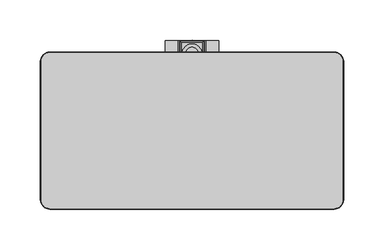
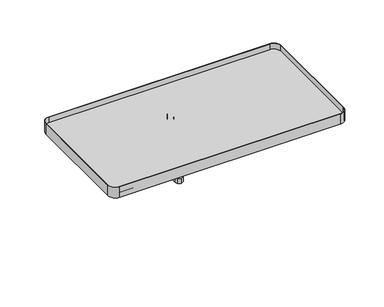
"""IFC4 building model written with IfcOpenShell, lengths in millimetres: furniture geometry."""

from ifc_helpers import new_model, si_unit, point, frame, frame_2d, origin, place, context, project, spatial, polyline, circle_curve, ellipse_curve, trimmed, segment, composite_curve, outline, extrude, source, transform, mapped, element, save
from ifc_brep_helpers import plane_surface, cylinder_surface, revolved_surface, advanced_brep


def furniture_6f47303e(model_context):
    return source(origin(), model_context, "Body", "SolidModel", [
        extrude(outline(polyline([(572.4526016, 876.8341572), (574.154079, 873.8871119), (574.154079, 870.4841572), (572.4526016, 867.5371119), (569.5055563, 865.8356345), (566.1026016, 865.8356345), (563.1555563, 867.5371119), (561.454079, 870.4841572), (561.454079, 873.8871119), (563.1555563, 876.8341572), (566.1026016, 878.5356345), (569.5055563, 878.5356345), (572.4526016, 876.8341572)])), frame((0.0, 0.0, 981.2878959), z_axis=(0.0, 0.0, 1.0), x_axis=(1.0, 0.0, 0.0)), (0.0, 0.0, 1.0), 21.0640086),
        extrude(outline(polyline([(561.454079, 814.4464769), (561.454079, 877.9468656), (562.9439994, 881.5438517), (567.804079, 883.5569625), (572.6641586, 881.5438517), (574.154079, 877.9468656), (574.154079, 814.4464769), (572.6641586, 810.8494909), (567.804079, 808.83638), (562.9439994, 810.8494909), (561.454079, 814.4464769)])), frame((0.0, 0.0, 972.9618797), z_axis=(0.0, 0.0, 1.0), x_axis=(1.0, 0.0, 0.0)), (0.0, 0.0, 1.0), 8.3260161),
        advanced_brep(
        [(565.3728649, 866.9451421, 1028.4561643), (570.2300001, 866.9451421, 1028.4561643), (570.2300001, 866.9451421, 1027.2658445), (565.3728649, 866.9451421, 1027.2658445), (556.9007133, 866.9451421, 1028.4561643), (578.7021517, 866.9451421, 1028.4561643), (555.6078513, 866.9451421, 1037.2747882), (579.9950137, 866.9451421, 1037.2747882), (579.9950137, 866.9451421, 1029.7490263), (555.6078513, 866.9451421, 1029.7490263), (567.8014325, 866.9451421, 1041.4655546), (575.8042473, 866.9451421, 1041.4655546), (559.7986177, 866.9451421, 1041.4655546), (567.8014325, 866.9451421, 1027.2658445)],
        [
            (0, 1, circle_curve(frame((567.8014325, 866.9451421, 1028.4561643), z_axis=(0.0, 0.0, -1.0), x_axis=(1.0000000000000016, 0.0, 0.0)), 2.4285676)),
            (1, 2),
            (2, 3, circle_curve(frame((567.8014325, 866.9451421, 1027.2658445), z_axis=(0.0, 0.0, 1.0), x_axis=(1.0000000000000016, 0.0, 0.0)), 2.4285676)),
            (3, 0),
            (1, 0, circle_curve(frame((567.8014325, 866.9451421, 1028.4561643), z_axis=(0.0, 0.0, -1.0), x_axis=(1.0000000000000016, 0.0, 0.0)), 2.4285676)),
            (3, 2, circle_curve(frame((567.8014325, 866.9451421, 1027.2658445), z_axis=(0.0, 0.0, 1.0), x_axis=(1.0000000000000016, 0.0, 0.0)), 2.4285676)),
            (4, 5, circle_curve(frame((567.8014325, 866.9451421, 1028.4561643), z_axis=(0.0, 0.0, -1.0), x_axis=(1.0000000000000016, 0.0, 0.0)), 10.9007192)),
            (5, 1),
            (0, 4),
            (5, 4, circle_curve(frame((567.8014325, 866.9451421, 1028.4561643), z_axis=(0.0, 0.0, -1.0), x_axis=(1.0000000000000016, 0.0, 0.0)), 10.9007192)),
            (6, 7, circle_curve(frame((567.8014325, 866.9451421, 1037.2747882), z_axis=(0.0, 0.0, -1.0), x_axis=(1.0000000000000016, 0.0, 0.0)), 12.1935812)),
            (7, 8),
            (8, 9, circle_curve(frame((567.8014325, 866.9451421, 1029.7490263), z_axis=(0.0, 0.0, 1.0), x_axis=(1.0000000000000016, 0.0, 0.0)), 12.1935812)),
            (9, 6),
            (7, 6, circle_curve(frame((567.8014325, 866.9451421, 1037.2747882), z_axis=(0.0, 0.0, -1.0), x_axis=(1.0000000000000016, 0.0, 0.0)), 12.1935812)),
            (9, 8, circle_curve(frame((567.8014325, 866.9451421, 1029.7490263), z_axis=(0.0, 0.0, 1.0), x_axis=(1.0000000000000016, 0.0, 0.0)), 12.1935812)),
            (10, 11),
            (11, 12, circle_curve(frame((567.8014325, 866.9451421, 1041.4655546), z_axis=(0.0, 0.0, 1.0), x_axis=(1.0000000000000016, 0.0, 0.0)), 8.0028148)),
            (12, 10),
            (12, 11, circle_curve(frame((567.8014325, 866.9451421, 1041.4655546), z_axis=(0.0, 0.0, 1.0), x_axis=(1.0000000000000016, 0.0, 0.0)), 8.0028148)),
            (2, 13),
            (13, 3),
            (8, 5, circle_curve(frame((578.7021517, 866.9451421, 1029.7490263), z_axis=(0.0, 1.0000000000000016, 0.0), x_axis=(1.0000000000000016, 0.0, 0.0)), 1.292862)),
            (4, 9, circle_curve(frame((556.9007133, 866.9451421, 1029.7490263), z_axis=(0.0, 1.0000000000000016, 0.0), x_axis=(-1.0000000000000016, 0.0, 0.0)), 1.292862)),
            (11, 7, circle_curve(frame((575.8042473, 866.9451421, 1037.2747882), z_axis=(0.0, 1.0000000000000016, 0.0), x_axis=(1.0000000000000016, 0.0, 0.0)), 4.1907665)),
            (6, 12, circle_curve(frame((559.7986177, 866.9451421, 1037.2747882), z_axis=(0.0, 1.0000000000000016, 0.0), x_axis=(-1.0000000000000016, 0.0, 0.0)), 4.1907665)),
        ],
        [
            cylinder_surface(frame((567.8014325, 866.9451421, 1061.5832348), z_axis=(0.0, 0.0, 1.0), x_axis=(1.0000000000000016, 0.0, 0.0)), 2.4285676),
            plane_surface(frame((567.8014325, 866.9451421, 1028.4561643), z_axis=(0.0, 0.0, -1.0), x_axis=(1.0, 0.0, 0.0))),
            cylinder_surface(frame((567.8014325, 866.9451421, 1061.5832348), z_axis=(0.0, 0.0, 1.0), x_axis=(1.0000000000000016, 0.0, 0.0)), 12.1935812),
            plane_surface(frame((567.8014325, 866.9451421, 1041.4655546), z_axis=(0.0, 0.0, 1.0), x_axis=(1.0, 0.0, 0.0))),
            plane_surface(frame((567.8014325, 866.9451421, 1027.2658445), z_axis=(0.0, 0.0, -1.0), x_axis=(1.0, 0.0, 0.0))),
            revolved_surface(trimmed(ellipse_curve(frame((578.7021517, 866.9451421, 1029.7490263), z_axis=(0.0, -1.0000000000000016, 0.0), x_axis=(1.0000000000000016, 0.0, 0.0)), 1.292862, 1.292862), [point((578.7021517, 866.9451421, 1028.4561643))], [point((579.9950137, 866.9451421, 1029.7490263))], True, "CARTESIAN"), (567.8014325, 866.9451421, 1061.5832348), (0.0, 0.0, 1.0)),
            revolved_surface(trimmed(ellipse_curve(frame((575.8042473, 866.9451421, 1037.2747882), z_axis=(0.0, -1.0000000000000016, 0.0), x_axis=(1.0000000000000016, 0.0, 0.0)), 4.1907665, 4.1907665), [point((579.9950137, 866.9451421, 1037.2747882))], [point((575.8042473, 866.9451421, 1041.4655546))], True, "CARTESIAN"), (567.8014325, 866.9451421, 1061.5832348), (0.0, 0.0, 1.0)),
        ],
        [
            (0, [[1, 2, 3, 4]]),
            (0, [[5, -4, 6, -2]]),
            (1, [[7, 8, -1, 9]]),
            (1, [[10, -9, -5, -8]]),
            (2, [[11, 12, 13, 14]]),
            (2, [[15, -14, 16, -12]]),
            (3, [[17, 18, 19]]),
            (3, [[-19, 20, -17]]),
            (4, [[-3, 21, 22]]),
            (4, [[-6, -22, -21]]),
            (5, [[-13, 23, -7, 24]]),
            (5, [[-16, -24, -10, -23]]),
            (6, [[-18, 25, -11, 26]]),
            (6, [[-20, -26, -15, -25]]),
        ],
    ),
        advanced_brep(
        [(523.703641, 844.5201081, 1098.32775), (523.703641, 844.1597528, 1098.32775), (526.2695816, 795.1986989, 1098.32775), (546.0458637, 810.4407767, 1098.32775), (546.9174555, 835.3997695, 1098.32775), (548.3470137, 838.6622239, 1098.32775), (552.8660164, 840.2698211, 1098.32775), (555.0151013, 839.5801768, 1098.32775), (555.0372011, 840.2130323, 1098.32775), (555.2490705, 840.2130323, 1098.32775), (555.2490705, 851.1575897, 1098.32775), (530.0283771, 851.1575897, 1098.32775), (525.4222692, 849.1786517, 1098.32775), (611.9045169, 844.1597533, 1098.32775), (611.9045169, 844.5201081, 1098.32775), (610.1858887, 849.1786517, 1098.32775), (605.5797808, 851.1575897, 1098.32775), (580.365389, 851.1575897, 1098.32775), (580.365389, 840.2130323, 1098.32775), (580.5709568, 840.2130323, 1098.32775), (580.5930566, 839.5801768, 1098.32775), (582.7421405, 840.2698215, 1098.32775), (587.2611443, 838.6622239, 1098.32775), (588.6907025, 835.3997695, 1098.32775), (589.5622943, 810.4407767, 1098.32775), (609.3385764, 795.1986989, 1098.32775), (611.9045169, 844.1597533, 1086.9393735), (611.9045169, 844.5201081, 1086.9393735), (550.0635891, 883.1448413, 1004.560055), (552.7029708, 883.1448413, 1007.1994367), (552.7029708, 883.1448413, 1025.1207529), (582.9051871, 883.1448413, 1025.1207529), (582.9051871, 883.1448413, 1007.1994367), (585.5445689, 883.1448413, 1004.560055), (600.9804089, 883.1448413, 1004.560055), (600.9804089, 883.1448413, 983.3691126), (534.627749, 883.1448413, 983.3691126), (534.627749, 883.1448413, 1004.560055), (523.703641, 844.5201081, 1086.9393735), (523.703641, 844.1597528, 1086.9393735), (607.4544231, 787.5374049, 1088.7868386), (609.010493, 788.9384966, 1088.7379115), (609.010493, 788.9384966, 1094.9478319), (607.4544231, 787.5374049, 1094.9478319), (602.7025334, 787.7799742, 1088.7783679), (602.7025334, 787.7799742, 1094.9478319), (581.6144003, 810.3327891, 1087.9908081), (601.5600751, 787.9252907, 1094.9478319), (601.5600751, 787.9252907, 1092.7397656), (585.0859192, 798.838226, 1092.7397656), (585.0859192, 798.838226, 1094.9478319), (581.8515291, 807.7246389, 1094.9478319), (581.8515291, 807.7246389, 1092.7397656), (581.6144003, 810.3327891, 1092.7397656), (580.5709568, 840.2130323, 1086.9473693), (580.5930566, 839.5801768, 1092.7397656), (580.365389, 840.2130323, 1086.9473693), (555.0372011, 840.2130323, 1086.9473693), (555.2490705, 840.2130323, 1086.9473693), (555.0151013, 839.5801768, 1092.7397656), (553.9937576, 810.3327891, 1092.7397656), (553.9937576, 810.3327891, 1087.9908081), (532.9056245, 787.7799742, 1088.7783679), (553.7566288, 807.7246389, 1092.7397656), (553.7566288, 807.7246389, 1094.9478319), (550.5222388, 798.838226, 1094.9478319), (550.5222388, 798.838226, 1092.7397656), (534.0480829, 787.9252907, 1092.7397656), (534.0480829, 787.9252907, 1094.9478319), (532.9056245, 787.7799742, 1094.9478319), (528.1537349, 787.5374049, 1088.7868386), (528.1537349, 787.5374049, 1094.9478319), (526.5976649, 788.9384966, 1088.7379115), (526.5976649, 788.9384966, 1094.9478319), (523.8984801, 840.4420028, 1086.9393735), (526.4584524, 791.5948303, 1094.9478319), (526.4584524, 791.5948303, 1092.7397656), (526.2695816, 795.1986989, 1092.7397656), (611.7096779, 840.4420028, 1086.9393735), (609.3385764, 795.1986989, 1092.7397656), (609.1497056, 791.5948303, 1092.7397656), (609.1497056, 791.5948303, 1094.9478319), (554.8480625, 851.1575897, 1027.2658445), (568.6847576, 851.1575897, 1027.2658445), (580.7600954, 851.1575897, 1027.2658445), (580.7600954, 880.9997496, 1027.2658445), (554.8480625, 880.9997496, 1027.2658445), (610.1858887, 849.1786517, 1086.9393735), (607.3304089, 850.4054613, 1086.9393735), (605.5797808, 851.1575897, 1086.6932904), (525.4222692, 849.1786517, 1086.9393735), (530.0283771, 851.1575897, 1086.6932904), (528.277749, 850.4054613, 1086.9393735), (555.2490705, 851.1575897, 1074.9361696), (556.9644199, 851.1575897, 1070.8086459), (561.4400554, 851.1575897, 1068.9633263), (568.6847576, 851.1575897, 1068.9633263), (553.3312536, 851.1575897, 1026.6375617), (552.7029708, 851.1575897, 1025.1207529), (552.7029708, 851.1575897, 1007.1994367), (550.0635891, 851.1575897, 1004.560055), (536.4083774, 851.1575897, 1004.560055), (536.4083774, 851.1575897, 1080.3851486), (534.627749, 851.1575897, 1080.3851486), (534.627749, 851.1575897, 1080.5893735), (600.9804089, 851.1575897, 1080.5893735), (600.9804089, 851.1575897, 1080.3851486), (599.1997805, 851.1575897, 1080.3851486), (599.1997805, 851.1575897, 1004.560055), (585.5445689, 851.1575897, 1004.560055), (582.9051871, 851.1575897, 1007.1994367), (582.9051871, 851.1575897, 1025.1207529), (582.2769043, 851.1575897, 1026.6375617), (574.2028154, 851.1575897, 1068.9633263), (578.7032828, 851.1575897, 1070.8334808), (580.365389, 851.1575897, 1074.8643334), (555.2490705, 840.4420028, 1074.9361696), (555.2490705, 840.4420028, 1086.9393735), (528.277749, 840.4420028, 1086.9393735), (534.627749, 840.4420028, 1080.5893735), (534.627749, 840.4420028, 1080.3851486), (536.4083774, 840.4420028, 1080.3851486), (536.4083774, 840.4420028, 996.9512561), (599.1997805, 840.4420028, 996.9512561), (599.1997805, 840.4420028, 1080.3851486), (600.9804089, 840.4420028, 1080.3851486), (600.9804089, 840.4420028, 1080.5893735), (607.3304089, 840.4420028, 1086.9393735), (580.365389, 840.4420028, 1086.9393735), (580.365389, 840.4420028, 1074.8643334), (578.7032828, 840.4420028, 1070.8334808), (574.2028154, 840.4420028, 1068.9633263), (561.4400554, 840.4420028, 1068.9633263), (556.9644199, 840.4420028, 1070.8086459), (588.6907025, 835.3997695, 1092.7397656), (587.2611443, 838.6622239, 1092.7397656), (582.7421405, 840.2698215, 1092.7397656), (584.7323904, 807.9737129, 1092.7397656), (586.1309368, 806.3697717, 1092.7397656), (587.493243, 802.6268698, 1092.7397656), (587.4528846, 800.4992061, 1092.7397656), (600.5649726, 788.8757666, 1092.7397656), (601.1178496, 790.930817, 1092.7397656), (603.1034339, 791.6964952, 1092.7397656), (605.0949892, 791.5948303, 1092.7397656), (589.5622943, 810.4407767, 1092.7397656), (584.7323904, 807.9737129, 1094.9478319), (586.1309368, 806.3697717, 1094.9478319), (587.493243, 802.6268698, 1094.9478319), (587.4528846, 800.4992061, 1094.9478319), (600.5649726, 788.8757666, 1094.9478319), (601.1178496, 790.930817, 1094.9478319), (603.1034339, 791.6964952, 1094.9478319), (605.0949892, 791.5948303, 1094.9478319), (550.8757676, 807.9737129, 1094.9478319), (549.4772212, 806.3697717, 1094.9478319), (548.1149149, 802.6268698, 1094.9478319), (548.1552733, 800.4992061, 1094.9478319), (535.0431854, 788.8757666, 1094.9478319), (534.4903083, 790.930817, 1094.9478319), (532.504724, 791.6964952, 1094.9478319), (530.5131687, 791.5948303, 1094.9478319), (546.9174555, 835.3997695, 1092.7397656), (546.0458637, 810.4407767, 1092.7397656), (530.5131687, 791.5948303, 1092.7397656), (532.504724, 791.6964952, 1092.7397656), (534.4903083, 790.930817, 1092.7397656), (535.0431854, 788.8757666, 1092.7397656), (548.1552733, 800.4992061, 1092.7397656), (548.1149149, 802.6268698, 1092.7397656), (549.4772212, 806.3697717, 1092.7397656), (550.8757676, 807.9737129, 1092.7397656), (552.8660164, 840.2698211, 1092.7397656), (548.3470137, 838.6622239, 1092.7397656), (534.627749, 849.3769613, 1004.560055), (535.149283, 850.6360557, 1004.560055), (534.627749, 849.3769613, 1080.3851486), (534.627749, 873.1549726, 983.3691126), (534.627749, 870.978774, 985.5453112), (534.627749, 870.978774, 996.9512561), (534.627749, 842.2226312, 996.9512561), (534.627749, 842.2226312, 1080.3851486), (600.9804089, 842.2226312, 1080.3851486), (600.9804089, 842.2226312, 996.9512561), (600.9804089, 870.978774, 996.9512561), (600.9804089, 870.978774, 985.5453112), (600.9804089, 873.1549726, 983.3691126), (600.9804089, 849.3769613, 1004.560055), (600.9804089, 849.3769613, 1080.3851486), (537.3322662, 870.978774, 985.5453112), (537.3322662, 870.978774, 996.9512561), (598.2758917, 870.978774, 996.9512561), (598.2758917, 870.978774, 985.5453112), (557.7355392, 870.978774, 985.5453112), (557.7355392, 870.978774, 996.9512561), (554.1077561, 870.978774, 996.9512561), (554.1077561, 870.978774, 985.5453112), (577.1828719, 870.978774, 996.9512561), (577.1828719, 870.978774, 985.5453112), (581.5004019, 870.978774, 985.5453112), (581.5004019, 870.978774, 996.9512561), (577.1828719, 862.4035457, 996.9512561), (581.5004019, 862.4035457, 996.9512561), (598.2758917, 862.4035457, 996.9512561), (600.4588749, 840.9635368, 996.9512561), (535.149283, 840.9635368, 996.9512561), (537.3322662, 862.4035457, 996.9512561), (554.1077561, 862.4035457, 996.9512561), (557.7355392, 862.4035457, 996.9512561), (598.2758917, 873.1549726, 983.3691126), (598.2758917, 880.2208989, 983.3691126), (581.5004019, 880.2208989, 983.3691126), (581.5004019, 873.1549726, 983.3691126), (577.1828719, 873.1549726, 983.3691126), (577.1828719, 880.2208989, 983.3691126), (557.7355392, 880.2208989, 983.3691126), (557.7355392, 873.1549726, 983.3691126), (554.1077561, 873.1549726, 983.3691126), (554.1077561, 880.2208989, 983.3691126), (537.3322662, 880.2208989, 983.3691126), (537.3322662, 873.1549726, 983.3691126), (577.1828719, 862.4035457, 1002.3519045), (577.1828719, 880.2208989, 1002.3519045), (557.7355392, 880.2208989, 1002.3519045), (557.7355392, 862.4035457, 1002.3519045), (554.1077561, 862.4035457, 1002.3519045), (554.1077561, 880.2208989, 1002.3519045), (537.3322662, 880.2208989, 1002.3519045), (537.3322662, 862.4035457, 1002.3519045), (581.5004019, 880.2208989, 1002.3519045), (581.5004019, 862.4035457, 1002.3519045), (598.2758917, 862.4035457, 1002.3519045), (598.2758917, 880.2208989, 1002.3519045), (535.149283, 840.9635368, 1080.3851486), (535.149283, 850.6360557, 1080.3851486), (600.4588749, 850.6360557, 1004.560055), (600.4588749, 840.9635368, 1080.3851486), (600.4588749, 850.6360557, 1080.3851486), (582.2769043, 882.5165585, 1026.6375617), (553.3312536, 882.5165585, 1026.6375617)],
        [
            (0, 1),
            (1, 2),
            (2, 3, circle_curve(frame((526.4805469, 815.3756741, 1098.32775), z_axis=(0.0, 0.0, 1.0), x_axis=(-1.3720009129422355e-11, -1.0000000000000016, 0.0)), 20.178078)),
            (3, 4),
            (4, 5),
            (5, 6),
            (6, 7, circle_curve(frame((553.4858911, 838.5081532, 1098.32775), z_axis=(0.0, 0.0, -1.0), x_axis=(-1.3720009129422355e-11, -1.0000000000000016, 0.0)), 1.8675434)),
            (7, 8),
            (8, 9),
            (9, 10),
            (10, 11),
            (11, 12),
            (12, 0),
            (13, 14),
            (14, 15),
            (15, 16),
            (16, 17),
            (17, 18),
            (18, 19),
            (19, 20),
            (20, 21, circle_curve(frame((582.1222669, 838.5081532, 1098.32775), z_axis=(0.0, 0.0, -1.0), x_axis=(0.0, -1.0000000000000016, 0.0)), 1.8675434)),
            (21, 22),
            (22, 23),
            (23, 24),
            (24, 25, circle_curve(frame((609.127611, 815.3756741, 1098.32775), z_axis=(0.0, 0.0, 1.0), x_axis=(0.0, -1.0000000000000016, 0.0)), 20.178078)),
            (25, 13),
            (13, 26),
            (26, 27),
            (27, 14),
            (28, 29, circle_curve(frame((550.0635891, 883.1448413, 1007.1994367), z_axis=(-6.865064072769654e-12, -1.0, 0.0), x_axis=(1.0000000000000016, -6.865064072769664e-12, 0.0)), 2.6393817)),
            (29, 30),
            (30, 31),
            (31, 32),
            (32, 33, circle_curve(frame((585.5445689, 883.1448413, 1007.1994367), z_axis=(-6.865064072769654e-12, -1.0, 0.0), x_axis=(-1.0000000000000016, 6.865064072769664e-12, 0.0)), 2.6393817)),
            (33, 34),
            (34, 35),
            (35, 36),
            (36, 37),
            (37, 28),
            (0, 38),
            (38, 39),
            (39, 1),
            (40, 41, ellipse_curve(frame((607.4544231, 789.1020461, 1088.7322003), z_axis=(0.0, 0.03489941917567232, 0.9993908297263893), x_axis=(7.1374193433167536e-12, 0.9993908297263894, -0.03489941917567166)), 1.5655949, 1.5646412)),
            (41, 42),
            (42, 43, circle_curve(frame((607.4544231, 789.1020461, 1094.9478319), z_axis=(0.0, 0.0, -1.0), x_axis=(0.0, -1.0000000000000016, 0.0)), 1.5646412)),
            (43, 40),
            (44, 40),
            (43, 45),
            (45, 44),
            (46, 44, ellipse_curve(frame((605.0949932, 811.1527514, 1087.9621744), z_axis=(0.0, 0.03489941917567232, 0.9993908297263893), x_axis=(7.1374193433167536e-12, 0.9993908297263894, -0.03489941917567166)), 23.5092265, 23.4949054)),
            (45, 47, circle_curve(frame((605.0949932, 811.1527514, 1094.9478319), z_axis=(0.0, 0.0, -1.0), x_axis=(0.0, -1.0000000000000016, 0.0)), 23.4949054)),
            (47, 48),
            (48, 49, circle_curve(frame((605.0949932, 811.1527514, 1092.7397656), z_axis=(0.0, 0.0, -1.0), x_axis=(0.0, -1.0000000000000016, 0.0)), 23.4949054)),
            (49, 50),
            (50, 51, circle_curve(frame((605.0949932, 811.1527514, 1094.9478319), z_axis=(0.0, 0.0, -1.0), x_axis=(0.0, -1.0000000000000016, 0.0)), 23.4949054)),
            (51, 52),
            (52, 53, circle_curve(frame((605.0949932, 811.1527514, 1092.7397656), z_axis=(0.0, 0.0, -1.0), x_axis=(0.0, -1.0000000000000016, 0.0)), 23.4949054)),
            (53, 46),
            (19, 54),
            (54, 46),
            (53, 55),
            (55, 20),
            (18, 56),
            (56, 54),
            (8, 57),
            (57, 58),
            (58, 9),
            (7, 59),
            (59, 60),
            (60, 61),
            (61, 57),
            (62, 61, ellipse_curve(frame((530.5131647, 811.1527514, 1087.9621744), z_axis=(0.0, 0.03489941917567232, 0.9993908297263893), x_axis=(7.1374193433167536e-12, 0.9993908297263894, -0.03489941917567166)), 23.5092265, 23.4949054)),
            (60, 63, circle_curve(frame((530.5131647, 811.1527514, 1092.7397656), z_axis=(0.0, 0.0, -1.0), x_axis=(0.0, -1.0000000000000016, 0.0)), 23.4949054)),
            (63, 64),
            (64, 65, circle_curve(frame((530.5131647, 811.1527514, 1094.9478319), z_axis=(0.0, 0.0, -1.0), x_axis=(0.0, -1.0000000000000016, 0.0)), 23.4949054)),
            (65, 66),
            (66, 67, circle_curve(frame((530.5131647, 811.1527514, 1092.7397656), z_axis=(0.0, 0.0, -1.0), x_axis=(0.0, -1.0000000000000016, 0.0)), 23.4949054)),
            (67, 68),
            (68, 69, circle_curve(frame((530.5131647, 811.1527514, 1094.9478319), z_axis=(0.0, 0.0, -1.0), x_axis=(0.0, -1.0000000000000016, 0.0)), 23.4949054)),
            (69, 62),
            (70, 62),
            (69, 71),
            (71, 70),
            (72, 70, ellipse_curve(frame((528.1537349, 789.1020461, 1088.7322003), z_axis=(0.0, 0.03489941917567232, 0.9993908297263893), x_axis=(7.1374193433167536e-12, 0.9993908297263894, -0.03489941917567166)), 1.5655949, 1.5646412)),
            (71, 73, circle_curve(frame((528.1537349, 789.1020461, 1094.9478319), z_axis=(0.0, 0.0, -1.0), x_axis=(0.0, -1.0000000000000016, 0.0)), 1.5646412)),
            (73, 72),
            (74, 72),
            (73, 75),
            (75, 76),
            (76, 77),
            (77, 2),
            (39, 74),
            (41, 78),
            (78, 26),
            (25, 79),
            (79, 80),
            (80, 81),
            (81, 42),
            (82, 83),
            (83, 84),
            (84, 85),
            (85, 86),
            (86, 82),
            (15, 87),
            (87, 88),
            (88, 89, ellipse_curve(frame((607.3304089, 850.4054613, 1080.5893735), z_axis=(-0.39474350435296546, -0.9187913613934017, 0.0), x_axis=(0.9187913613934018, -0.3947435043529651, 0.0)), 6.9112535, 6.35)),
            (89, 16),
            (27, 87),
            (12, 90),
            (90, 38),
            (11, 91),
            (91, 92, ellipse_curve(frame((528.277749, 850.4054613, 1080.5893735), z_axis=(0.3947435043403511, -0.9187913613988212, 0.0), x_axis=(-0.9187913613988213, -0.3947435043403508, 0.0)), 6.9112535, 6.35)),
            (92, 90),
            (10, 93),
            (93, 94),
            (94, 95),
            (95, 96),
            (96, 83),
            (82, 97),
            (97, 98),
            (98, 99),
            (99, 100, circle_curve(frame((550.0635891, 851.1575897, 1007.1994367), z_axis=(6.865064072769654e-12, 1.0, 0.0), x_axis=(1.0000000000000016, -6.865064072769664e-12, 0.0)), 2.6393817)),
            (100, 101),
            (101, 102),
            (102, 103),
            (103, 104),
            (104, 91, circle_curve(frame((528.277749, 851.1575897, 1080.5893735), z_axis=(-6.865064072769654e-12, -1.0, 0.0), x_axis=(1.0000000000000016, -6.865064072769664e-12, 0.0)), 6.35)),
            (89, 105, circle_curve(frame((607.3304089, 851.1575897, 1080.5893735), z_axis=(-6.865064072769654e-12, -1.0, 0.0), x_axis=(-1.0000000000000016, 6.865064072769664e-12, 0.0)), 6.35)),
            (105, 106),
            (106, 107),
            (107, 108),
            (108, 109),
            (109, 110, circle_curve(frame((585.5445689, 851.1575897, 1007.1994367), z_axis=(6.865064072769654e-12, 1.0, 0.0), x_axis=(-1.0000000000000016, 6.865064072769664e-12, 0.0)), 2.6393817)),
            (110, 111),
            (111, 112),
            (112, 84),
            (96, 113),
            (113, 114),
            (114, 115),
            (115, 17),
            (116, 117),
            (117, 118),
            (118, 119, circle_curve(frame((528.277749, 840.4420028, 1080.5893735), z_axis=(6.865064072769654e-12, 1.0, 0.0), x_axis=(1.0000000000000016, -6.865064072769664e-12, 0.0)), 6.35)),
            (119, 120),
            (120, 121),
            (121, 122),
            (122, 123),
            (123, 124),
            (124, 125),
            (125, 126),
            (126, 127, circle_curve(frame((607.3304089, 840.4420028, 1080.5893735), z_axis=(6.865064072769654e-12, 1.0, 0.0), x_axis=(-1.0000000000000016, 6.865064072769664e-12, 0.0)), 6.35)),
            (127, 128),
            (128, 129),
            (129, 130),
            (130, 131),
            (131, 132),
            (132, 133),
            (133, 116),
            (56, 128),
            (127, 78),
            (74, 118),
            (117, 58),
            (116, 93),
            (115, 129),
            (133, 94),
            (132, 95),
            (131, 113),
            (130, 114),
            (134, 135),
            (135, 136),
            (136, 55, circle_curve(frame((582.1222669, 838.5081532, 1092.7397656), z_axis=(0.0, 0.0, 1.0), x_axis=(0.0, -1.0000000000000016, 0.0)), 1.8675434)),
            (52, 137),
            (137, 138),
            (138, 139),
            (139, 140),
            (140, 49),
            (48, 141),
            (141, 142),
            (142, 143),
            (143, 144),
            (144, 80),
            (79, 145, circle_curve(frame((609.127611, 815.3756741, 1092.7397656), z_axis=(0.0, 0.0, -1.0), x_axis=(0.0, -1.0000000000000016, 0.0)), 20.178078)),
            (145, 134),
            (134, 23),
            (22, 135),
            (21, 136),
            (51, 146),
            (146, 137),
            (146, 147),
            (147, 138),
            (147, 148),
            (148, 139),
            (148, 149),
            (149, 140),
            (149, 50),
            (47, 150),
            (150, 141),
            (150, 151),
            (151, 142),
            (151, 152),
            (152, 143),
            (152, 153),
            (153, 144),
            (153, 81),
            (64, 154),
            (154, 155),
            (155, 156),
            (156, 157),
            (157, 65),
            (68, 158),
            (158, 159),
            (159, 160),
            (160, 161),
            (161, 75),
            (24, 145),
            (162, 163),
            (163, 77, circle_curve(frame((526.4805469, 815.3756741, 1092.7397656), z_axis=(0.0, 0.0, -1.0), x_axis=(-1.3720009129422355e-11, -1.0000000000000016, 0.0)), 20.178078)),
            (76, 164),
            (164, 165),
            (165, 166),
            (166, 167),
            (167, 67),
            (66, 168),
            (168, 169),
            (169, 170),
            (170, 171),
            (171, 63),
            (59, 172, circle_curve(frame((553.4858911, 838.5081532, 1092.7397656), z_axis=(0.0, 0.0, 1.0), x_axis=(-1.3720009129422355e-11, -1.0000000000000016, 0.0)), 1.8675434)),
            (172, 173),
            (173, 162),
            (173, 5),
            (4, 162),
            (172, 6),
            (171, 154),
            (170, 155),
            (169, 156),
            (168, 157),
            (167, 158),
            (166, 159),
            (165, 160),
            (164, 161),
            (163, 3),
            (29, 99),
            (98, 30),
            (100, 28),
            (37, 174),
            (174, 175),
            (175, 101),
            (119, 104),
            (103, 176),
            (176, 174),
            (36, 177),
            (177, 178, circle_curve(frame((534.627749, 873.1549726, 985.5453112), z_axis=(-1.0, 6.865064072769654e-12, 0.0), x_axis=(0.0, 0.0, 1.0)), 2.1761986)),
            (178, 179),
            (179, 180),
            (180, 181),
            (181, 120),
            (118, 92),
            (105, 126),
            (125, 182),
            (182, 183),
            (183, 184),
            (184, 185),
            (185, 186, circle_curve(frame((600.9804089, 873.1549726, 985.5453112), z_axis=(1.0, -6.865064072769654e-12, 0.0), x_axis=(0.0, 0.0, 1.0)), 2.1761986)),
            (186, 35),
            (34, 187),
            (187, 188),
            (188, 106),
            (88, 127),
            (178, 189),
            (189, 190),
            (190, 179),
            (184, 191),
            (191, 192),
            (192, 185),
            (193, 194),
            (194, 195),
            (195, 196),
            (196, 193),
            (197, 198),
            (198, 199),
            (199, 200),
            (200, 197),
            (201, 197),
            (200, 202),
            (202, 203),
            (203, 191),
            (183, 204),
            (204, 123),
            (122, 205),
            (205, 180),
            (190, 206),
            (206, 207),
            (207, 195),
            (194, 208),
            (208, 201),
            (186, 209),
            (209, 210),
            (210, 211),
            (211, 212),
            (212, 213),
            (213, 214),
            (214, 215),
            (215, 216),
            (216, 217),
            (217, 218),
            (218, 219),
            (219, 220),
            (220, 177),
            (220, 189, circle_curve(frame((537.3322662, 873.1549726, 985.5453112), z_axis=(-1.0, 6.865064072769654e-12, 0.0), x_axis=(0.0, 0.0, 1.0)), 2.1761986)),
            (192, 209, circle_curve(frame((598.2758917, 873.1549726, 985.5453112), z_axis=(1.0, -6.865064072769654e-12, 0.0), x_axis=(0.0, 0.0, 1.0)), 2.1761986)),
            (216, 193, circle_curve(frame((557.7355392, 873.1549726, 985.5453112), z_axis=(-1.0, 6.865064072769654e-12, 0.0), x_axis=(0.0, 0.0, 1.0)), 2.1761986)),
            (196, 217, circle_curve(frame((554.1077561, 873.1549726, 985.5453112), z_axis=(1.0, -6.865064072769654e-12, 0.0), x_axis=(0.0, 0.0, 1.0)), 2.1761986)),
            (198, 213, circle_curve(frame((577.1828719, 873.1549726, 985.5453112), z_axis=(1.0, -6.865064072769654e-12, 0.0), x_axis=(0.0, 0.0, 1.0)), 2.1761986)),
            (212, 199, circle_curve(frame((581.5004019, 873.1549726, 985.5453112), z_axis=(-1.0, 6.865064072769654e-12, 0.0), x_axis=(0.0, 0.0, 1.0)), 2.1761986)),
            (221, 222),
            (222, 214),
            (201, 221),
            (223, 224),
            (224, 208),
            (215, 223),
            (224, 221),
            (222, 223),
            (225, 226),
            (226, 218),
            (207, 225),
            (227, 228),
            (228, 206),
            (219, 227),
            (228, 225),
            (226, 227),
            (229, 230),
            (230, 202),
            (211, 229),
            (231, 232),
            (232, 210),
            (203, 231),
            (230, 231),
            (232, 229),
            (233, 121),
            (181, 233),
            (205, 233),
            (234, 176),
            (102, 234),
            (234, 175),
            (110, 32),
            (31, 111),
            (33, 109),
            (108, 235),
            (235, 187),
            (236, 182),
            (124, 236),
            (236, 204),
            (237, 107),
            (188, 237),
            (235, 237),
            (112, 238),
            (238, 85),
            (31, 238),
            (238, 239),
            (239, 86),
            (30, 239),
            (239, 97),
        ],
        [
            plane_surface(frame((611.9045169, 883.1448413, 1098.32775), z_axis=(0.0, 0.0, 1.0), x_axis=(0.0, 1.0, 0.0))),
            plane_surface(frame((611.9045169, 781.5448413, 1098.32775), z_axis=(1.0, 0.0, 0.0), x_axis=(0.0, 0.0, -1.0))),
            plane_surface(frame((611.9045169, 883.1448413, 1098.32775), z_axis=(0.0, 1.0, 0.0), x_axis=(0.0, 0.0, -1.0))),
            plane_surface(frame((523.703641, 883.1448413, 1098.32775), z_axis=(-1.0, 0.0, 0.0), x_axis=(0.0, 0.0, -1.0))),
            cylinder_surface(frame((607.4544231, 789.1020461, 972.9618797), z_axis=(0.0, 0.0, -1.0), x_axis=(0.0, -1.0000000000000016, 0.0)), 1.5646412),
            plane_surface(frame((607.4544231, 787.5374049, 1098.32775), z_axis=(-0.0509805293978869, -0.998699647352652, 0.0), x_axis=(0.0, 0.0, -1.0))),
            cylinder_surface(frame((605.0949932, 811.1527514, 972.9618797), z_axis=(0.0, 0.0, -1.0), x_axis=(0.0, -1.0000000000000016, 0.0)), 23.4949054),
            plane_surface(frame((581.6144003, 810.3327891, 1098.32775), z_axis=(-0.999390824138735, -0.03489957918514207, 0.0), x_axis=(0.0, 0.0, -1.0))),
            plane_surface(frame((580.5709568, 840.2130323, 1098.32775), z_axis=(0.0, -1.0, 0.0), x_axis=(0.0, 0.0, -1.0))),
            plane_surface(frame((555.0372011, 840.2130323, 1098.32775), z_axis=(0.999390824138256, -0.03489957919886253, 0.0), x_axis=(0.0, 0.0, -1.0))),
            cylinder_surface(frame((530.5131647, 811.1527514, 972.9618797), z_axis=(0.0, 0.0, -1.0), x_axis=(0.0, -1.0000000000000016, 0.0)), 23.4949054),
            plane_surface(frame((532.9056245, 787.7799742, 1098.32775), z_axis=(0.05098052938417265, -0.998699647353352, 0.0), x_axis=(0.0, 0.0, -1.0))),
            cylinder_surface(frame((528.1537349, 789.1020461, 972.9618797), z_axis=(0.0, 0.0, -1.0), x_axis=(0.0, -1.0000000000000016, 0.0)), 1.5646412),
            plane_surface(frame((526.5976649, 788.9384966, 1098.32775), z_axis=(-0.9986295342547428, -0.052335965780289394, 0.0), x_axis=(0.0, 0.0, -1.0))),
            plane_surface(frame((611.9045169, 844.1597528, 1098.32775), z_axis=(0.9986295342844813, -0.052335965212844185, 0.0), x_axis=(0.0, 0.0, -1.0))),
            plane_surface(frame((605.5797808, 851.1575897, 1027.2658445), z_axis=(0.0, 0.0, 1.0), x_axis=(-0.9187913613934017, 0.39474350435296546, 0.0))),
            plane_surface(frame((605.5797808, 851.1575897, 1098.32775), z_axis=(0.39474350435296546, 0.9187913613934017, 0.0), x_axis=(0.0, 0.0, -1.0))),
            plane_surface(frame((610.1858887, 849.1786517, 1098.32775), z_axis=(0.9381912867911624, 0.3461171902537395, 0.0), x_axis=(0.0, 0.0, -1.0))),
            plane_surface(frame((523.703641, 844.5201081, 1098.32775), z_axis=(-0.9381912867864022, 0.3461171902666424, 0.0), x_axis=(0.0, 0.0, -1.0))),
            plane_surface(frame((525.4222692, 849.1786517, 1098.32775), z_axis=(-0.3947435043403511, 0.9187913613988212, 0.0), x_axis=(0.0, 0.0, -1.0))),
            plane_surface(frame((530.0283771, 851.1575897, 1098.32775), z_axis=(1.3719935075037032e-11, 1.0, 0.0), x_axis=(0.0, 0.0, -1.0))),
            plane_surface(frame((568.6847576, 851.1575897, 1098.32775), z_axis=(0.0, 1.0, 0.0), x_axis=(0.0, 0.0, -1.0))),
            plane_surface(frame((644.8280886, 840.4420028, 972.9618797), z_axis=(-6.865068220637533e-12, -1.0, 0.0), x_axis=(-1.0, 6.865068220637533e-12, 0.0))),
            plane_surface(frame((644.8280886, 840.4420028, 1086.9393735), z_axis=(0.0, -0.03489941917567232, -0.9993908297263893), x_axis=(-1.0, 6.86506822063753e-12, 0.0))),
            plane_surface(frame((555.2490705, 781.5448413, 1098.32775), z_axis=(1.0, -6.8645644724085725e-12, 0.0), x_axis=(6.8645644724085725e-12, 1.0, 0.0))),
            plane_surface(frame((580.365389, 781.5448413, 1074.8643334), z_axis=(-1.0, 6.864564472408571e-12, 0.0), x_axis=(6.864564472408571e-12, 1.0, 0.0))),
            plane_surface(frame((555.2490705, 781.5448413, 1074.9361696), z_axis=(0.9234301605570053, -6.357863222038614e-12, 0.3837665157014919), x_axis=(6.8645644724085725e-12, 1.0, 0.0))),
            plane_surface(frame((556.9644199, 781.5448413, 1070.8086459), z_axis=(0.3811755770865515, -2.662176668305705e-12, 0.9245026659954716), x_axis=(6.8645644724085725e-12, 1.0, 0.0))),
            plane_surface(frame((561.4400554, 781.5448413, 1068.9633263), z_axis=(0.0, 0.0, 1.0), x_axis=(6.8645644724085725e-12, 1.0, 0.0))),
            plane_surface(frame((574.2028154, 781.5448413, 1068.9633263), z_axis=(-0.38373400588138523, 2.5886466815574973e-12, 0.9234436705778134), x_axis=(6.864564472408571e-12, 1.0, 0.0))),
            plane_surface(frame((578.7032827, 781.5448413, 1070.8334808), z_axis=(-0.9244887542707884, 6.327421362892097e-12, 0.3812093168153764), x_axis=(6.864564472408571e-12, 1.0, 0.0))),
            plane_surface(frame((587.2611443, 838.6622239, 1092.7397656), z_axis=(0.0, 0.0, 1.0000000000000002), x_axis=(0.4013452917654016, -0.9159268293798063, 0.0))),
            plane_surface(frame((588.6907025, 835.3997695, 1098.32775), z_axis=(-0.9159268293798063, -0.4013452917654016, 0.0), x_axis=(0.0, 0.0, -1.0))),
            plane_surface(frame((587.2611443, 838.6622239, 1098.32775), z_axis=(-0.3351652768736788, -0.9421593480819423, 0.0), x_axis=(0.0, 0.0, -1.0))),
            plane_surface(frame((581.5080786, 807.6949448, 1098.32775), z_axis=(-0.08613684967553284, 0.9962833146891373, 0.0), x_axis=(0.0, 0.0, -1.0))),
            plane_surface(frame((584.7323904, 807.9737129, 1098.32775), z_axis=(0.7537171756299597, 0.6571989190194978, 0.0), x_axis=(0.0, 0.0, -1.0))),
            plane_surface(frame((586.1309368, 806.3697717, 1098.32775), z_axis=(0.9396925078215239, 0.34202045369260503, 0.0), x_axis=(0.0, 0.0, -1.0))),
            plane_surface(frame((587.493243, 802.6268698, 1098.32775), z_axis=(0.9998201481779339, -0.018965001910214288, 0.0), x_axis=(0.0, 0.0, -1.0))),
            plane_surface(frame((587.4528846, 800.4992061, 1098.32775), z_axis=(0.5744145435260927, -0.8185645559060755, 0.0), x_axis=(0.0, 0.0, -1.0))),
            plane_surface(frame((601.5600751, 787.9252907, 1098.32775), z_axis=(-0.6907058687708142, -0.7231358121719286, 0.0), x_axis=(0.0, 0.0, -1.0))),
            plane_surface(frame((600.5649726, 788.8757666, 1098.32775), z_axis=(-0.9656636033624647, 0.25979569885011655, 0.0), x_axis=(0.0, 0.0, -1.0))),
            plane_surface(frame((601.1178496, 790.930817, 1098.32775), z_axis=(-0.3597943211708735, 0.9330316427930998, 0.0), x_axis=(0.0, 0.0, -1.0))),
            plane_surface(frame((603.1034339, 791.6964952, 1098.32775), z_axis=(0.05098160884093895, 0.9986995922498364, 0.0), x_axis=(0.0, 0.0, -1.0))),
            plane_surface(frame((605.0949892, 791.5948303, 1098.32775), z_axis=(0.0, 1.0, 0.0), x_axis=(0.0, 0.0, -1.0))),
            revolved_surface(polyline([(582.1222669, 836.6406098, 1098.32775), (582.1222669, 836.6406098, 1092.7397656)]), (582.1222669, 838.5081532, 1092.7397656), (0.0, 0.0, 1.0)),
            plane_surface(frame((581.8515291, 807.7246389, 1094.9478319), z_axis=(0.0, 0.0, 1.0000000000000002), x_axis=(0.9962833146891372, 0.08613684967553482, 0.0))),
            plane_surface(frame((550.8757676, 807.9737129, 1094.9478319), z_axis=(0.0, 0.0, 1.0), x_axis=(0.6571989190298342, 0.7537171756209471, 0.0))),
            cylinder_surface(frame((609.127611, 815.3756741, 1092.7397656), z_axis=(0.0, 0.0, -1.0), x_axis=(0.0, -1.0000000000000016, 0.0)), 20.178078),
            plane_surface(frame((589.5622943, 810.4407767, 1098.32775), z_axis=(-0.9993908206536574, -0.03489967898433215, 0.0), x_axis=(0.0, 0.0, -1.0))),
            plane_surface(frame((546.9174555, 835.3997695, 1092.7397656), z_axis=(0.0, 0.0, 1.0000000000000002), x_axis=(0.03489967899805347, 0.9993908206531782, 0.0))),
            plane_surface(frame((548.3470137, 838.6622239, 1098.32775), z_axis=(0.9159268293742927, -0.40134529177798445, 0.0), x_axis=(0.0, 0.0, -1.0))),
            plane_surface(frame((552.8660164, 840.2698211, 1098.32775), z_axis=(0.3351652776273849, -0.9421593478138175, 0.0), x_axis=(0.0, 0.0, -1.0))),
            plane_surface(frame((550.8757676, 807.9737129, 1098.32775), z_axis=(0.08613684968923109, 0.9962833146879531, 0.0), x_axis=(0.0, 0.0, -1.0))),
            plane_surface(frame((549.4772212, 806.3697717, 1098.32775), z_axis=(-0.7537171756209435, 0.6571989190298382, 0.0), x_axis=(0.0, 0.0, -1.0))),
            plane_surface(frame((548.1149149, 802.6268698, 1098.32775), z_axis=(-0.9396925078168176, 0.3420204537055355, 0.0), x_axis=(0.0, 0.0, -1.0))),
            plane_surface(frame((548.1552733, 800.4992061, 1098.32775), z_axis=(-0.9998201481781938, -0.01896500189651384, 0.0), x_axis=(0.0, 0.0, -1.0))),
            plane_surface(frame((550.5222388, 798.838226, 1098.32775), z_axis=(-0.5744145435373291, -0.8185645558981905, 0.0), x_axis=(0.0, 0.0, -1.0))),
            plane_surface(frame((535.0431854, 788.8757666, 1098.32775), z_axis=(0.6907058687608816, -0.7231358121814159, 0.0), x_axis=(0.0, 0.0, -1.0))),
            plane_surface(frame((534.4903083, 790.930817, 1098.32775), z_axis=(0.9656636033660305, 0.2597956988368627, 0.0), x_axis=(0.0, 0.0, -1.0))),
            plane_surface(frame((532.504724, 791.6964952, 1098.32775), z_axis=(0.35979432118368043, 0.9330316427881611, 0.0), x_axis=(0.0, 0.0, -1.0))),
            plane_surface(frame((530.5131687, 791.5948303, 1098.32775), z_axis=(-0.05098160882722056, 0.9986995922505367, 0.0), x_axis=(0.0, 0.0, -1.0))),
            plane_surface(frame((526.4584524, 791.5948303, 1098.32775), z_axis=(1.3717921153051937e-11, 1.0, 0.0), x_axis=(0.0, 0.0, -1.0))),
            revolved_surface(polyline([(553.4858910999744, 836.6406098, 1098.32775), (553.4858910999744, 836.6406098, 1092.7397656)]), (553.4858911, 838.5081532, 1092.7397656), (0.0, 0.0, 1.0)),
            cylinder_surface(frame((526.4805469, 815.3756741, 1092.7397656), z_axis=(0.0, 0.0, -1.0), x_axis=(-1.3720009129422355e-11, -1.0000000000000016, 0.0)), 20.178078),
            plane_surface(frame((546.9174555, 835.3997695, 1098.32775), z_axis=(0.9993908206531782, -0.03489967899805347, 0.0), x_axis=(0.0, 0.0, -1.0))),
            plane_surface(frame((552.7029708, 851.1575897, 1007.1994367), z_axis=(-1.0, 6.865297123495112e-12, 0.0), x_axis=(6.865297123495112e-12, 1.0, 0.0))),
            plane_surface(frame((513.98132, 851.1575897, 1004.560055), z_axis=(0.0, 0.0, 1.0), x_axis=(6.865297123495113e-12, 1.0, 0.0))),
            plane_surface(frame((534.627749, 578.3448413, 972.9618797), z_axis=(-1.0, 6.865008561618424e-12, 0.0), x_axis=(6.865008561618424e-12, 1.0, 0.0))),
            revolved_surface(polyline([(534.6277489997068, 840.4420027999563, 1080.5893735), (534.627748999794, 853.1336337259744, 1080.5893735)]), (528.277749, 883.1448413, 1080.5893735), (-6.865064072769664e-12, -1.0000000000000016, 0.0)),
            plane_surface(frame((528.277749, 578.3448413, 1086.9393735), z_axis=(0.0, 0.0, -1.0), x_axis=(6.865008561618424e-12, 1.0, 0.0))),
            plane_surface(frame((600.9804089, 578.3448413, 1080.5893735), z_axis=(1.0, -6.865008561618424e-12, 0.0), x_axis=(6.865008561618424e-12, 1.0, 0.0))),
            revolved_surface(polyline([(600.9804088997067, 840.4420027999997, 1080.5893735), (600.9804088997939, 853.1336337260615, 1080.5893735)]), (607.3304089, 883.1448413, 1080.5893735), (-6.865064072769664e-12, -1.0000000000000016, 0.0)),
            plane_surface(frame((611.9045169, 578.3448413, 1086.9393735), z_axis=(0.0, 0.0, -1.0), x_axis=(6.865008561618425e-12, 1.0, 0.0))),
            plane_surface(frame((644.8280886, 870.978774, 985.5453112), z_axis=(-6.865068220637536e-12, -1.0, 0.0), x_axis=(-1.0, 6.865068220637536e-12, 0.0))),
            plane_surface(frame((644.8280886, 870.978774, 996.9512561), z_axis=(0.0, 0.0, -1.0), x_axis=(-1.0, 6.865068220637533e-12, 0.0))),
            plane_surface(frame((644.8280886, 883.1448413, 983.3691126), z_axis=(0.0, 0.0, -1.0), x_axis=(-1.0, 6.865068220637536e-12, 0.0))),
            cylinder_surface(frame((476.7265068, 873.1549726, 985.5453112), z_axis=(-1.0000000000000016, 6.865064072769664e-12, 0.0), x_axis=(0.0, 0.0, 1.0)), 2.1761986),
            plane_surface(frame((577.1828719, 862.4035457, 1011.8932784), z_axis=(-1.0, 6.865064072769654e-12, 0.0), x_axis=(0.0, 0.0, -1.0))),
            plane_surface(frame((557.7355392, 862.4035457, 1011.8932784), z_axis=(1.0, -6.865064072769654e-12, 0.0), x_axis=(0.0, 0.0, 1.0))),
            plane_surface(frame((577.1828719, 862.4035457, 1002.3519045), z_axis=(6.865028474994505e-12, 1.0, 0.0), x_axis=(-1.0, 6.865028474994505e-12, 0.0))),
            plane_surface(frame((577.1828719, 880.2208989, 980.1432784), z_axis=(-6.865028474994505e-12, -1.0, 0.0), x_axis=(-1.0, 6.865028474994505e-12, 0.0))),
            plane_surface(frame((577.1828719, 880.2208989, 1002.3519045), z_axis=(0.0, 0.0, -1.0), x_axis=(-1.0, 6.865028474994505e-12, 0.0))),
            plane_surface(frame((554.1077561, 862.4035457, 1011.8932784), z_axis=(-1.0, 6.865064072769654e-12, 0.0), x_axis=(0.0, 0.0, -1.0))),
            plane_surface(frame((537.3322662, 862.4035457, 1011.8932784), z_axis=(1.0, -6.865064072769654e-12, 0.0), x_axis=(0.0, 0.0, 1.0))),
            plane_surface(frame((554.1077561, 862.4035457, 1002.3519045), z_axis=(6.865013565401834e-12, 1.0, 0.0), x_axis=(-1.0, 6.865013565401834e-12, 0.0))),
            plane_surface(frame((554.1077561, 880.2208989, 980.1432784), z_axis=(-6.865013565401834e-12, -1.0, 0.0), x_axis=(-1.0, 6.865013565401834e-12, 0.0))),
            plane_surface(frame((554.1077561, 880.2208989, 1002.3519045), z_axis=(0.0, 0.0, -1.0), x_axis=(-1.0, 6.865139640698807e-12, 0.0))),
            plane_surface(frame((581.5004019, 881.4535457, 1002.3519045), z_axis=(1.0, -6.864992575025538e-12, 0.0), x_axis=(6.864992575025538e-12, 1.0, 0.0))),
            plane_surface(frame((598.2758917, 881.4535457, 1002.3519045), z_axis=(-1.0, 6.864992575025538e-12, 0.0), x_axis=(-6.864992575025538e-12, -1.0, 0.0))),
            plane_surface(frame((581.5004019, 862.4035457, 980.1432784), z_axis=(6.865013565401834e-12, 1.0, 0.0), x_axis=(1.0, -6.865013565401834e-12, 0.0))),
            plane_surface(frame((581.5004019, 880.2208989, 1002.3519045), z_axis=(-6.864982046577591e-12, -1.0, 0.0), x_axis=(1.0, -6.864982046577591e-12, 0.0))),
            plane_surface(frame((581.5004019, 862.4035457, 1002.3519045), z_axis=(0.0, 0.0, -1.0), x_axis=(1.0, -6.865013565401834e-12, 0.0))),
            plane_surface(frame((534.627749, 842.2226312, 1080.3851486), z_axis=(0.0, 0.0, -1.0), x_axis=(-0.38268343236509234, 0.9238795325112857, 0.0))),
            plane_surface(frame((535.149283, 840.9635368, 1080.3851486), z_axis=(-0.9238795325112857, -0.38268343236509234, 0.0), x_axis=(0.0, 0.0, -1.0))),
            plane_surface(frame((536.4083774, 840.4420028, 1080.3851486), z_axis=(-0.3826834323650883, -0.9238795325112874, 0.0), x_axis=(0.0, 0.0, -1.0))),
            plane_surface(frame((536.4083774, 851.1575897, 1080.3851486), z_axis=(0.0, 0.0, -1.0000000000000002), x_axis=(0.9238795325112952, 0.38268343236506974, 0.0))),
            plane_surface(frame((534.627749, 849.3769613, 1080.3851486), z_axis=(-0.9238795325112786, 0.3826834323651099, 0.0), x_axis=(0.0, 0.0, -1.0))),
            plane_surface(frame((535.149283, 850.6360557, 1080.3851486), z_axis=(-0.38268343236506974, 0.9238795325112952, 0.0), x_axis=(0.0, 0.0, -1.0))),
            revolved_surface(polyline([(552.7029707997804, 851.1575896999818, 1007.1994367), (552.7029708, 883.1448413, 1007.1994367)]), (550.0635891, 883.1448413, 1007.1994367), (-6.865064072769664e-12, -1.0000000000000016, 0.0)),
            plane_surface(frame((582.9051871, 851.1575897, 1033.2009031), z_axis=(1.0, -6.865297123495113e-12, 0.0), x_axis=(6.865297123495113e-12, 1.0, 0.0))),
            plane_surface(frame((585.5445689, 851.1575897, 1004.560055), z_axis=(0.0, 0.0, 1.0), x_axis=(6.865297123495113e-12, 1.0, 0.0))),
            revolved_surface(polyline([(582.9051871997802, 851.1575896999999, 1007.1994367), (582.9051871999999, 883.1448413000181, 1007.1994367)]), (585.5445689, 883.1448413, 1007.1994367), (-6.865064072769664e-12, -1.0000000000000016, 0.0)),
            plane_surface(frame((599.1997805, 840.4420028, 1080.3851486), z_axis=(0.0, 0.0, -1.0), x_axis=(-0.9238795325165402, -0.382683432352407, 0.0))),
            plane_surface(frame((600.9804089, 842.2226312, 1080.3851486), z_axis=(0.9238795325060072, -0.382683432377836, 0.0), x_axis=(0.0, 0.0, -1.0))),
            plane_surface(frame((600.4588749, 840.9635368, 1080.3851486), z_axis=(0.382683432352407, -0.9238795325165402, 0.0), x_axis=(0.0, 0.0, -1.0))),
            plane_surface(frame((600.9804089, 849.3769613, 1080.3851486), z_axis=(0.0, 0.0, -1.0000000000000002), x_axis=(0.3826834323523975, -0.9238795325165442, 0.0))),
            plane_surface(frame((600.4588749, 850.6360557, 1080.3851486), z_axis=(0.9238795325165442, 0.3826834323523975, 0.0), x_axis=(0.0, 0.0, -1.0))),
            plane_surface(frame((599.1997805, 851.1575897, 1080.3851486), z_axis=(0.382683432377755, 0.9238795325060406, 0.0), x_axis=(0.0, 0.0, -1.0))),
            plane_surface(frame((580.7600954, 851.1575897, 1027.2658445), z_axis=(0.38268343236508723, 0.0, 0.9238795325112878), x_axis=(0.0, 1.0, 0.0))),
            plane_surface(frame((582.2769043, 851.1575897, 1026.6375617), z_axis=(0.9238795325112874, 0.0, 0.3826834323650882), x_axis=(0.0, 1.0, 0.0))),
            plane_surface(frame((580.7600954, 880.9997496, 1027.2658445), z_axis=(0.0, 0.38268343236508723, 0.9238795325112878), x_axis=(-1.0, 0.0, 0.0))),
            plane_surface(frame((582.2769043, 882.5165585, 1026.6375617), z_axis=(0.0, 0.9238795325112874, 0.3826834323650882), x_axis=(-1.0, 0.0, 0.0))),
            plane_surface(frame((554.8480625, 880.9997496, 1027.2658445), z_axis=(-0.38268343236508723, 0.0, 0.9238795325112878), x_axis=(0.0, -1.0, 0.0))),
            plane_surface(frame((553.3312536, 882.5165585, 1026.6375617), z_axis=(-0.9238795325112874, 0.0, 0.3826834323650882), x_axis=(0.0, -1.0, 0.0))),
        ],
        [
            (0, [[1, 2, 3, 4, 5, 6, 7, 8, 9, 10, 11, 12, 13]]),
            (0, [[14, 15, 16, 17, 18, 19, 20, 21, 22, 23, 24, 25, 26]]),
            (1, [[-14, 27, 28, 29]]),
            (2, [[30, 31, 32, 33, 34, 35, 36, 37, 38, 39]]),
            (3, [[-1, 40, 41, 42]]),
            (4, [[43, 44, 45, 46]]),
            (5, [[47, -46, 48, 49]]),
            (6, [[50, -49, 51, 52, 53, 54, 55, 56, 57, 58]]),
            (7, [[59, 60, -58, 61, 62, -20]]),
            (8, [[-59, -19, 63, 64]]),
            (8, [[65, 66, 67, -9]]),
            (9, [[-65, -8, 68, 69, 70, 71]]),
            (10, [[72, -70, 73, 74, 75, 76, 77, 78, 79, 80]]),
            (11, [[81, -80, 82, 83]]),
            (12, [[84, -83, 85, 86]]),
            (13, [[87, -86, 88, 89, 90, 91, -2, -42, 92]]),
            (14, [[93, 94, -27, -26, 95, 96, 97, 98, -44]]),
            (15, [[99, 100, 101, 102, 103]]),
            (16, [[-16, 104, 105, 106, 107]]),
            (17, [[-15, -29, 108, -104]]),
            (18, [[-13, 109, 110, -40]]),
            (19, [[-12, 111, 112, 113, -109]]),
            (20, [[-11, 114, 115, 116, 117, 118, -99, 119, 120, 121, 122, 123, 124, 125, 126, 127, -111]]),
            (21, [[-17, -107, 128, 129, 130, 131, 132, 133, 134, 135, 136, -100, -118, 137, 138, 139, 140]]),
            (22, [[141, 142, 143, 144, 145, 146, 147, 148, 149, 150, 151, 152, 153, 154, 155, 156, 157, 158]]),
            (23, [[-43, -47, -50, -60, -64, 159, -152, 160, -93]]),
            (23, [[-71, -72, -81, -84, -87, 161, -142, 162, -66]]),
            (24, [[163, -114, -10, -67, -162, -141]]),
            (25, [[164, -153, -159, -63, -18, -140]]),
            (26, [[-163, -158, 165, -115]]),
            (27, [[-165, -157, 166, -116]]),
            (28, [[-166, -156, 167, -137, -117]]),
            (29, [[-167, -155, 168, -138]]),
            (30, [[-164, -139, -168, -154]]),
            (31, [[169, 170, 171, -61, -57, 172, 173, 174, 175, 176, -53, 177, 178, 179, 180, 181, -96, 182, 183]]),
            (32, [[-169, 184, -23, 185]]),
            (33, [[-170, -185, -22, 186]]),
            (34, [[-172, -56, 187, 188]]),
            (35, [[-173, -188, 189, 190]]),
            (36, [[-174, -190, 191, 192]]),
            (37, [[-175, -192, 193, 194]]),
            (38, [[-176, -194, 195, -54]]),
            (39, [[-177, -52, 196, 197]]),
            (40, [[-178, -197, 198, 199]]),
            (41, [[-179, -199, 200, 201]]),
            (42, [[-180, -201, 202, 203]]),
            (43, [[-181, -203, 204, -97]]),
            (44, [[-186, -21, -62, -171]]),
            (45, [[-45, -98, -204, -202, -200, -198, -196, -51, -48]]),
            (45, [[-55, -195, -193, -191, -189, -187]]),
            (46, [[-75, 205, 206, 207, 208, 209]]),
            (46, [[-82, -79, 210, 211, 212, 213, 214, -88, -85]]),
            (47, [[-182, -95, -25, 215]]),
            (48, [[-183, -215, -24, -184]]),
            (49, [[216, 217, -90, 218, 219, 220, 221, 222, -77, 223, 224, 225, 226, 227, -73, -69, 228, 229, 230]]),
            (50, [[-230, 231, -5, 232]]),
            (51, [[-229, 233, -6, -231]]),
            (52, [[234, -205, -74, -227]]),
            (53, [[-226, 235, -206, -234]]),
            (54, [[-225, 236, -207, -235]]),
            (55, [[-224, 237, -208, -236]]),
            (56, [[-223, -76, -209, -237]]),
            (57, [[-222, 238, -210, -78]]),
            (58, [[-221, 239, -211, -238]]),
            (59, [[-220, 240, -212, -239]]),
            (60, [[-219, 241, -213, -240]]),
            (61, [[-218, -89, -214, -241]]),
            (62, [[-233, -228, -68, -7]]),
            (63, [[-217, 242, -3, -91]]),
            (64, [[-216, -232, -4, -242]]),
            (65, [[243, -121, 244, -31]]),
            (66, [[245, -39, 246, 247, 248, -123]]),
            (67, [[249, -126, 250, 251, -246, -38, 252, 253, 254, 255, 256, 257, -144]]),
            (68, [[-249, -143, 258, -112, -127]]),
            (69, [[-258, -161, -92, -41, -110, -113]]),
            (70, [[259, -150, 260, 261, 262, 263, 264, 265, -36, 266, 267, 268, -129]]),
            (71, [[-259, -128, -106, 269, -151]]),
            (72, [[-269, -105, -108, -28, -94, -160]]),
            (73, [[-254, 270, 271, 272]]),
            (73, [[-263, 273, 274, 275]]),
            (73, [[276, 277, 278, 279]]),
            (73, [[280, 281, 282, 283]]),
            (74, [[284, -283, 285, 286, 287, -273, -262, 288, 289, -147, 290, 291, -255, -272, 292, 293, 294, -277, 295, 296]]),
            (75, [[-37, -265, 297, 298, 299, 300, 301, 302, 303, 304, 305, 306, 307, 308, 309, -252]]),
            (76, [[-253, -309, 310, -270]]),
            (76, [[-264, -275, 311, -297]]),
            (76, [[312, -279, 313, -305]]),
            (76, [[314, -301, 315, -281]]),
            (77, [[316, 317, -302, -314, -280, -284, 318]]),
            (78, [[319, 320, -295, -276, -312, -304, 321]]),
            (79, [[322, -318, -296, -320]]),
            (80, [[323, -321, -303, -317]]),
            (81, [[-316, -322, -319, -323]]),
            (82, [[324, 325, -306, -313, -278, -294, 326]]),
            (83, [[327, 328, -292, -271, -310, -308, 329]]),
            (84, [[330, -326, -293, -328]]),
            (85, [[331, -329, -307, -325]]),
            (86, [[-324, -330, -327, -331]]),
            (87, [[332, 333, -285, -282, -315, -300, 334]]),
            (88, [[335, 336, -298, -311, -274, -287, 337]]),
            (89, [[338, -337, -286, -333]]),
            (90, [[339, -334, -299, -336]]),
            (91, [[-332, -339, -335, -338]]),
            (92, [[340, -145, -257, 341]]),
            (93, [[-341, -256, -291, 342]]),
            (94, [[-340, -342, -290, -146]]),
            (95, [[343, -250, -125, 344]]),
            (96, [[-343, 345, -247, -251]]),
            (97, [[-344, -124, -248, -345]]),
            (98, [[-122, -243, -30, -245]]),
            (99, [[346, -33, 347, -134]]),
            (100, [[348, -132, 349, 350, -266, -35]]),
            (101, [[-133, -348, -34, -346]]),
            (102, [[351, -260, -149, 352]]),
            (103, [[-351, 353, -288, -261]]),
            (104, [[-352, -148, -289, -353]]),
            (105, [[354, -130, -268, 355]]),
            (106, [[-355, -267, -350, 356]]),
            (107, [[-354, -356, -349, -131]]),
            (108, [[-136, 357, 358, -101]]),
            (109, [[-135, -347, 359, -357]]),
            (110, [[-358, 360, 361, -102]]),
            (111, [[-359, -32, 362, -360]]),
            (112, [[-361, 363, -119, -103]]),
            (113, [[-362, -244, -120, -363]]),
        ],
    ),
        extrude(outline(composite_curve([segment(polyline([(754.367079, 857.6327082), (754.367079, 685.9795082)]), True, "CONTINUOUS"), segment(trimmed(circle_curve(frame_2d((743.572079, 685.9795082)), 10.795), [point((754.367079, 685.9795082))], [point((743.572079, 675.1845082))], False, "CARTESIAN"), True, "CONTINUOUS"), segment(polyline([(743.572079, 675.1845082), (392.036079, 675.1845082)]), True, "CONTINUOUS"), segment(trimmed(circle_curve(frame_2d((392.036079, 685.9795082)), 10.795), [point((392.036079, 675.1845082))], [point((381.241079, 685.9795082))], False, "CARTESIAN"), True, "CONTINUOUS"), segment(polyline([(381.241079, 685.9795082), (381.241079, 857.6327082)]), True, "CONTINUOUS"), segment(trimmed(circle_curve(frame_2d((392.036079, 857.6327082)), 10.795), [point((381.241079, 857.6327082))], [point((392.036079, 868.4277082))], False, "CARTESIAN"), True, "CONTINUOUS"), segment(polyline([(392.036079, 868.4277082), (743.572079, 868.4277082)]), True, "CONTINUOUS"), segment(trimmed(circle_curve(frame_2d((743.572079, 857.6327082)), 10.795), [point((743.572079, 868.4277082))], [point((754.367079, 857.6327082))], False, "CARTESIAN"), True, "CONTINUOUS")], self_intersect=False)), frame((0.0, 0.0, 1098.32775), z_axis=(0.0, 0.0, 1.0), x_axis=(1.0, 0.0, 0.0)), (0.0, 0.0, 1.0), 2.032),
        extrude(outline(composite_curve([segment(polyline([(380.4592756, 685.9795082), (380.4592756, 857.6327082)]), True, "CONTINUOUS"), segment(trimmed(circle_curve(frame_2d((392.036079, 857.6327082)), 11.5768034), [point((380.4592756, 857.6327082))], [point((392.036079, 869.2095116))], False, "CARTESIAN"), True, "CONTINUOUS"), segment(polyline([(392.036079, 869.2095116), (743.572079, 869.2095116)]), True, "CONTINUOUS"), segment(trimmed(circle_curve(frame_2d((743.572079, 857.6327082)), 11.5768034), [point((743.572079, 869.2095116))], [point((755.1488823, 857.6327082))], False, "CARTESIAN"), True, "CONTINUOUS"), segment(polyline([(755.1488823, 857.6327082), (755.1488823, 685.9795082)]), True, "CONTINUOUS"), segment(trimmed(circle_curve(frame_2d((743.572079, 685.9795082)), 11.5768034), [point((755.1488823, 685.9795082))], [point((743.572079, 674.4027049))], False, "CARTESIAN"), True, "CONTINUOUS"), segment(polyline([(743.572079, 674.4027049), (392.036079, 674.4027049)]), True, "CONTINUOUS"), segment(trimmed(circle_curve(frame_2d((392.036079, 685.9795082)), 11.5768034), [point((392.036079, 674.4027049))], [point((380.4592756, 685.9795082))], False, "CARTESIAN"), True, "CONTINUOUS")], self_intersect=False), holes=[composite_curve([segment(polyline([(743.572079, 868.4277082), (392.036079, 868.4277082)]), True, "CONTINUOUS"), segment(trimmed(circle_curve(frame_2d((392.036079, 857.6327082)), 10.795), [point((392.036079, 868.4277082))], [point((381.241079, 857.6327082))], True, "CARTESIAN"), True, "CONTINUOUS"), segment(polyline([(381.241079, 857.6327082), (381.241079, 685.9795082)]), True, "CONTINUOUS"), segment(trimmed(circle_curve(frame_2d((392.036079, 685.9795082)), 10.795), [point((381.241079, 685.9795082))], [point((392.036079, 675.1845082))], True, "CARTESIAN"), True, "CONTINUOUS"), segment(polyline([(392.036079, 675.1845082), (743.572079, 675.1845082)]), True, "CONTINUOUS"), segment(trimmed(circle_curve(frame_2d((743.572079, 685.9795082)), 10.795), [point((743.572079, 675.1845082))], [point((754.367079, 685.9795082))], True, "CARTESIAN"), True, "CONTINUOUS"), segment(polyline([(754.367079, 685.9795082), (754.367079, 857.6327082)]), True, "CONTINUOUS"), segment(trimmed(circle_curve(frame_2d((743.572079, 857.6327082)), 10.795), [point((754.367079, 857.6327082))], [point((743.572079, 868.4277082))], True, "CARTESIAN"), True, "CONTINUOUS")], self_intersect=False)]), frame((0.0, 0.0, 1092.2), z_axis=(0.0, 0.0, 1.0), x_axis=(1.0, 0.0, 0.0)), (0.0, 0.0, 1.0), 17.4752),
    ])


if __name__ == "__main__":
    model = new_model("IFC4")
    model_context = context("Model", 3, world=origin())
    ifc_project = project(units=[si_unit("LENGTHUNIT", "METRE", prefix="MILLI")], contexts=[model_context])
    site = spatial("IfcSite", under=ifc_project)
    building = spatial("IfcBuilding", under=site)
    placement = place(None, origin())
    furniture_shape = furniture_6f47303e(model_context)
    element("IfcFurniture", 1, at=placement, inside=building, context=model_context, shape_type="MappedRepresentation", body=[
        mapped(furniture_shape, transform((0.0, 0.0, 0.0), x_axis=(1.0, 0.0, 0.0), y_axis=(0.0, 1.0, 0.0), z_axis=(0.0, 0.0, 1.0))),
    ])
    save(model, "model.ifc")
